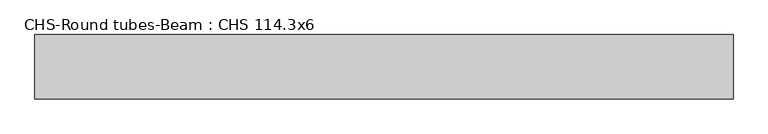
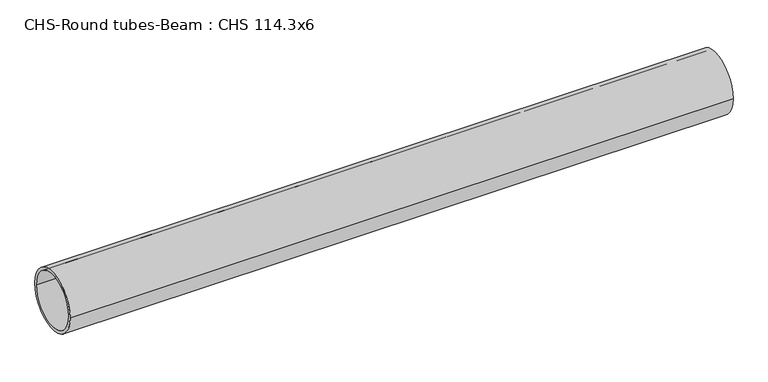
"""IFC4 building model written with IfcOpenShell, lengths in millimetres: beam geometry, CHS-Round tubes-Beam : CHS 114.3x6."""

from ifc_helpers import new_model, si_unit, point, frame, origin, origin_2d, place, context, project, spatial, circle_curve, trimmed, segment, composite_curve, outline, extrude, source, transform, mapped, element, save


def chs_round_tubes_beam_chs_114_3x6_b0005b68(model_context):
    return source(origin(), model_context, "Body", "SweptSolid", [
        extrude(outline(composite_curve([segment(trimmed(circle_curve(origin_2d(), 57.15), [point((57.15, 0.0))], [point((-57.15, 0.0))], False, "CARTESIAN"), True, "CONTINUOUS"), segment(trimmed(circle_curve(origin_2d(), 57.15), [point((-57.15, 0.0))], [point((57.15, 0.0))], False, "CARTESIAN"), True, "CONTINUOUS")], self_intersect=False), holes=[composite_curve([segment(trimmed(circle_curve(origin_2d(), 51.15), [point((51.15, 0.0))], [point((-51.15, 0.0))], True, "CARTESIAN"), True, "CONTINUOUS"), segment(trimmed(circle_curve(origin_2d(), 51.15), [point((-51.15, 0.0))], [point((51.15, 0.0))], True, "CARTESIAN"), True, "CONTINUOUS")], self_intersect=False)]), frame((-620.5491815, 0.0, 0.0), z_axis=(1.0, 0.0, 0.0), x_axis=(0.0, 1.0, 0.0)), (0.0, 0.0, 1.0), 1241.1033538),
    ])


if __name__ == "__main__":
    model = new_model("IFC4")
    model_context = context("Model", 3, world=origin())
    ifc_project = project(units=[si_unit("LENGTHUNIT", "METRE", prefix="MILLI")], contexts=[model_context])
    site = spatial("IfcSite", under=ifc_project)
    building = spatial("IfcBuilding", under=site)
    placement = place(None, origin())
    chs_round_tubes_beam_chs_114_3x6_shape = chs_round_tubes_beam_chs_114_3x6_b0005b68(model_context)
    element("IfcBeam", 1, ObjectType="CHS-Round tubes-Beam : CHS 114.3x6", at=placement, inside=building, context=model_context, shape_type="MappedRepresentation", body=[
        mapped(chs_round_tubes_beam_chs_114_3x6_shape, transform((0.0, 0.0, 0.0), x_axis=(1.0, 0.0, 0.0), y_axis=(0.0, 1.0, 0.0), z_axis=(0.0, 0.0, 1.0))),
    ])
    save(model, "model.ifc")
